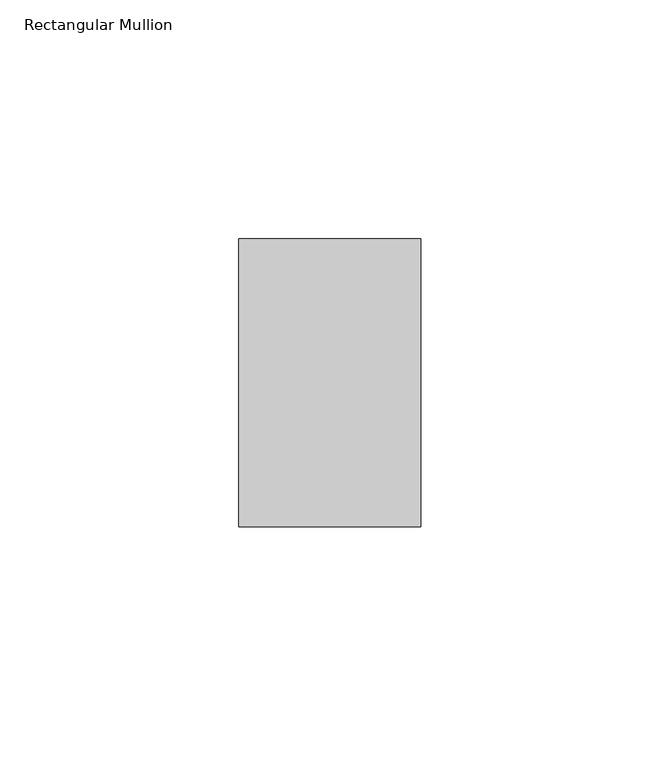
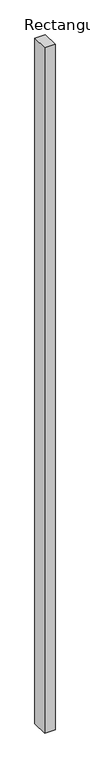
"""IFC4 building model written with IfcOpenShell, lengths in millimetres: member geometry, Rectangular Mullion."""

from ifc_helpers import new_model, si_unit, frame, origin, place, context, project, spatial, polyline, outline, extrude, source, transform, mapped, element, save


def rectangular_mullion_66fb8f43(model_context):
    return source(origin(), model_context, "Body", "SweptSolid", [
        extrude(outline(polyline([(-38.1, 50.8), (0.0, 50.8), (0.0, -9.525), (-38.1, -9.525), (-38.1, 50.8)])), frame((0.0, 0.0, -2625.725), z_axis=(0.0, 0.0, 1.0), x_axis=(1.0, 0.0, 0.0)), (0.0, 0.0, 1.0), 2625.725),
    ])


if __name__ == "__main__":
    model = new_model("IFC4")
    model_context = context("Model", 3, world=origin())
    ifc_project = project(units=[si_unit("LENGTHUNIT", "METRE", prefix="MILLI")], contexts=[model_context])
    site = spatial("IfcSite", under=ifc_project)
    building = spatial("IfcBuilding", under=site)
    placement = place(None, origin())
    rectangular_mullion_shape = rectangular_mullion_66fb8f43(model_context)
    element("IfcMember", 1, ObjectType="Rectangular Mullion", at=placement, inside=building, context=model_context, shape_type="MappedRepresentation", body=[
        mapped(rectangular_mullion_shape, transform((0.0, 0.0, 0.0), x_axis=(1.0, 0.0, 0.0), y_axis=(0.0, 1.0, 0.0), z_axis=(0.0, 0.0, 1.0))),
    ])
    save(model, "model.ifc")
